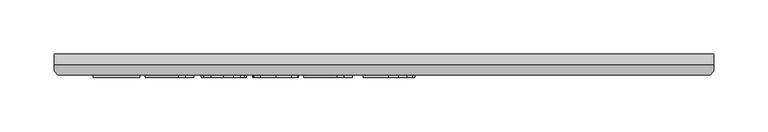
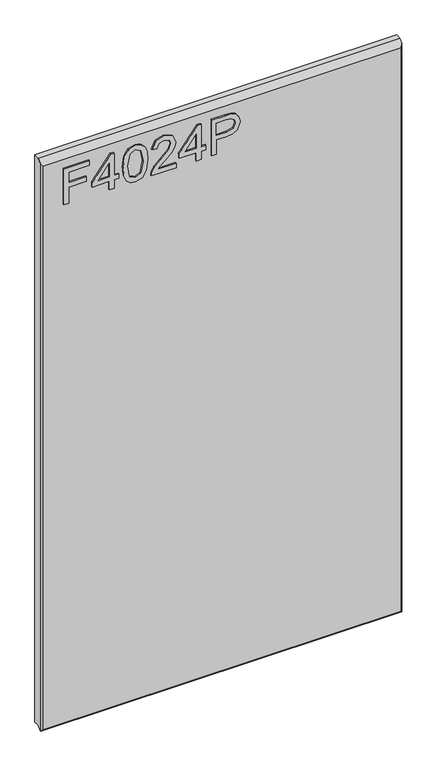
"""IFC4 building model written with IfcOpenShell, lengths in millimetres: furniture geometry."""

import ifcopenshell
import ifcopenshell.guid

model = None  # the IFC model being written
_history = None  # IfcOwnerHistory: only IFC2X3 demands one
_inside = {}  # id of a spatial element -> (the spatial element, [elements in it])
_under = {}  # id of a project, library or spatial element -> (it, [spatial elements below it])
_declared = {}  # id of a project -> (the project, [libraries it declares])
_typed = {}  # id of a type object -> (the type object, [elements of that type])
_made_of = {}  # id of a material, layer set ... -> (it, [elements and type objects made of it])


def new_model(schema):
    """Start an empty IFC model of exactly this schema.

    Asked for "IFC4X3", IfcOpenShell would pick the latest addendum, in which some entities
    have other attributes; the version numbers below select the first issue.
    IFC2X3 requires an IfcOwnerHistory on every rooted entity: one is made here for all.
    """
    global model, _history
    if schema == "IFC4X3":
        model = ifcopenshell.file(schema_version=(4, 3, 0, 0))
    else:
        model = ifcopenshell.file(schema=schema)
    _inside.clear()
    _under.clear()
    _declared.clear()
    _typed.clear()
    _made_of.clear()
    _history = None
    if model.schema == "IFC2X3":
        org = make("IfcOrganization", Name="unknown")
        user = make(
            "IfcPersonAndOrganization",
            ThePerson=make("IfcPerson", FamilyName="unknown"),
            TheOrganization=org,
        )
        app = make(
            "IfcApplication",
            ApplicationDeveloper=org,
            Version="unknown",
            ApplicationFullName="unknown",
            ApplicationIdentifier="unknown",
        )
        _history = make(
            "IfcOwnerHistory",
            OwningUser=user,
            OwningApplication=app,
            ChangeAction="ADDED",
            CreationDate=0,
        )
    return model


def make(cls, **values):
    """One entity of the class cls with the attributes given. An attribute that is None is left unset."""
    return model.create_entity(
        cls, **{name: value for name, value in values.items() if value is not None}
    )


def rooted(cls, **values):
    """An entity with a GlobalId (a new one), such as an element, a storey or a relation."""
    return make(cls, GlobalId=ifcopenshell.guid.new(), OwnerHistory=_history, **values)


def si_unit(unit_type, name, prefix=None):
    """IfcSIUnit, for example si_unit("LENGTHUNIT", "METRE", prefix="MILLI")."""
    return make("IfcSIUnit", UnitType=unit_type, Prefix=prefix, Name=name)


def assignment(units):
    """IfcUnitAssignment: the units of a project."""
    return None if units is None else make("IfcUnitAssignment", Units=units)


def point(xyz):
    """IfcCartesianPoint."""
    return None if xyz is None else make("IfcCartesianPoint", Coordinates=xyz)


def direction(xyz):
    """IfcDirection."""
    return None if xyz is None else make("IfcDirection", DirectionRatios=xyz)


def frame(location, z_axis=None, x_axis=None):
    """IfcAxis2Placement3D, a coordinate frame: its origin and axes. An axis left out is left unset."""
    return make(
        "IfcAxis2Placement3D",
        Location=point(location),
        Axis=direction(z_axis),
        RefDirection=direction(x_axis),
    )


def origin():
    """The frame at (0, 0, 0) with its axes left unset."""
    return frame((0.0, 0.0, 0.0))


def place(relative_to, where):
    """IfcLocalPlacement: puts the frame where relative to a parent placement (None: the world)."""
    return make(
        "IfcLocalPlacement", PlacementRelTo=relative_to, RelativePlacement=where
    )


def context(
    kind, dimensions, precision=None, world=None, true_north=None, identifier=None
):
    """IfcGeometricRepresentationContext, for example the 3D "Model" context."""
    return make(
        "IfcGeometricRepresentationContext",
        ContextIdentifier=identifier,
        ContextType=kind,
        CoordinateSpaceDimension=dimensions,
        Precision=precision,
        WorldCoordinateSystem=world,
        TrueNorth=true_north,
    )


def project(units=None, contexts=None):
    """IfcProject with its units and contexts."""
    return rooted(
        "IfcProject",
        Name="project",
        RepresentationContexts=contexts,
        UnitsInContext=assignment(units),
    )


def spatial(cls, under=None, at=None, **own):
    """A site, building, storey or space (cls), placed at a placement, below another one or the project."""
    s = rooted(cls, ObjectPlacement=at, **own)
    if under is not None:
        _under.setdefault(under.id(), (under, []))[1].append(s)
    return s


def polyline(points):
    """IfcPolyline through the points."""
    return make("IfcPolyline", Points=[point(p) for p in points])


def outline(outer, holes=None, kind="AREA"):
    """IfcArbitraryClosedProfileDef: a profile drawn as a closed curve; with holes, ...WithVoids."""
    if holes is None:
        return make("IfcArbitraryClosedProfileDef", ProfileType=kind, OuterCurve=outer)
    return make(
        "IfcArbitraryProfileDefWithVoids",
        ProfileType=kind,
        OuterCurve=outer,
        InnerCurves=holes,
    )


def extrude(swept, where, along, depth):
    """IfcExtrudedAreaSolid: the profile swept, set in the frame where, extruded along a direction by depth."""
    return make(
        "IfcExtrudedAreaSolid",
        SweptArea=swept,
        Position=where,
        ExtrudedDirection=direction(along),
        Depth=depth,
    )


def faces_of(points, faces, orient=None, outer=None):
    """IfcFace entities. A face is a list of loops; a loop is a list of indices into points, from 0.

    orient and outer hold one flag for each loop. By default every Orientation is true, the
    first loop of a face is its IfcFaceOuterBound and the others are IfcFaceBound.
    """
    made = []
    for i, loops in enumerate(faces):
        bounds = []
        for j, loop in enumerate(loops):
            is_outer = j == 0 if outer is None else outer[i][j]
            bounds.append(
                make(
                    "IfcFaceOuterBound" if is_outer else "IfcFaceBound",
                    Bound=make("IfcPolyLoop", Polygon=[points[k] for k in loop]),
                    Orientation=True if orient is None else orient[i][j],
                )
            )
        made.append(make("IfcFace", Bounds=bounds))
    return made


def faceted_brep(points, faces, orient=None, outer=None, voids=None):
    """IfcFacetedBrep: a solid bounded by flat faces; with voids (closed shells), ...WithVoids."""
    shared = [point(p) for p in points]
    hull = make("IfcClosedShell", CfsFaces=faces_of(shared, faces, orient, outer))
    if voids is None:
        return make("IfcFacetedBrep", Outer=hull)
    return make(
        "IfcFacetedBrepWithVoids",
        Outer=hull,
        Voids=[
            make(cls, CfsFaces=faces_of(shared, fs, o, b)) for cls, fs, o, b in voids
        ],
    )


def shape(context_of_items, identifier, shape_type, items):
    """IfcShapeRepresentation: the items that make up one representation, for example the "Body"."""
    return make(
        "IfcShapeRepresentation",
        ContextOfItems=context_of_items,
        RepresentationIdentifier=identifier,
        RepresentationType=shape_type,
        Items=items,
    )


def source(mapping_origin, context_of_items, identifier, shape_type, items):
    """IfcRepresentationMap: a shape defined once, which mapped items show again and again."""
    return make(
        "IfcRepresentationMap",
        MappingOrigin=mapping_origin,
        MappedRepresentation=shape(context_of_items, identifier, shape_type, items),
    )


def transform(
    local_origin,
    x_axis=None,
    y_axis=None,
    z_axis=None,
    scale=None,
    scale2=None,
    scale3=None,
    uniform=True,
):
    """IfcCartesianTransformationOperator3D, or its non-uniform kind. x_axis, y_axis, z_axis: its Axis1, 2, 3."""
    if uniform:
        return make(
            "IfcCartesianTransformationOperator3D",
            Axis1=direction(x_axis),
            Axis2=direction(y_axis),
            LocalOrigin=point(local_origin),
            Scale=scale,
            Axis3=direction(z_axis),
        )
    return make(
        "IfcCartesianTransformationOperator3DnonUniform",
        Axis1=direction(x_axis),
        Axis2=direction(y_axis),
        LocalOrigin=point(local_origin),
        Scale=scale,
        Axis3=direction(z_axis),
        Scale2=scale2,
        Scale3=scale3,
    )


def mapped(mapping_source, mapping_target):
    """IfcMappedItem: shows the shape of a source again, moved by a transform."""
    return make(
        "IfcMappedItem", MappingSource=mapping_source, MappingTarget=mapping_target
    )


def made_of(thing, what):
    """Note that an element or type object is made of a material, layer set ...; save() writes the relation."""
    if what is not None:
        _made_of.setdefault(what.id(), (what, []))[1].append(thing)
    return thing


def element(
    cls,
    number,
    at=None,
    inside=None,
    cuts=None,
    type_object=None,
    material=None,
    context=None,
    identifier="Body",
    shape_type=None,
    held_by="IfcProductDefinitionShape",
    body=None,
    shapes=None,
    **own,
):
    """One element of the class cls, such as IfcWall. Its Tag is "e" and its number.

    at: its placement. inside: the storey or other place that contains it. cuts: it is an
    opening in that element (IfcRelVoidsElement). A single representation is given by context,
    identifier, shape_type and body (its items); several are given by shapes. held_by: the class
    of the entity that holds the representations. save() writes the other relations.
    """
    e = rooted(cls, Tag="e%d" % number, ObjectPlacement=at, **own)
    if body is not None:
        shapes = [shape(context, identifier, shape_type, body)]
    if shapes is not None:
        e.Representation = make(held_by, Representations=shapes)
    if inside is not None:
        _inside.setdefault(inside.id(), (inside, []))[1].append(e)
    if cuts is not None:
        rooted(
            "IfcRelVoidsElement", RelatingBuildingElement=cuts, RelatedOpeningElement=e
        )
    if type_object is not None:
        _typed.setdefault(type_object.id(), (type_object, []))[1].append(e)
    return made_of(e, material)


def aggregate(whole, parts):
    """IfcRelAggregates: a whole, such as a stair, and the parts it consists of."""
    return rooted("IfcRelAggregates", RelatingObject=whole, RelatedObjects=parts)


def save(model, path):
    """Write the relations noted so far, then the file.

    IfcRelAggregates (storeys below a building ...), IfcRelContainedInSpatialStructure (elements
    in a storey), IfcRelDefinesByType, IfcRelAssociatesMaterial and IfcRelDeclares: one each for
    every whole, place, type object, material and project.
    """
    for whole, parts in _under.values():
        aggregate(whole, parts)
    for where, things in _inside.values():
        rooted(
            "IfcRelContainedInSpatialStructure",
            RelatedElements=things,
            RelatingStructure=where,
        )
    for kind, things in _typed.values():
        rooted("IfcRelDefinesByType", RelatedObjects=things, RelatingType=kind)
    for what, things in _made_of.values():
        rooted("IfcRelAssociatesMaterial", RelatedObjects=things, RelatingMaterial=what)
    for by, libraries in _declared.values():
        rooted("IfcRelDeclares", RelatingContext=by, RelatedDefinitions=libraries)
    model.write(path)


def furniture_3fd9cddb(model_context):
    return source(origin(), model_context, "Body", "SolidModel", [
        extrude(outline(polyline([(2030.5117188, -249.8436441), (2030.5117188, -241.8699245), (2059.4164524, -241.8699245), (2059.4164524, -211.9684759), (2067.390172, -211.9684759), (2067.390172, -241.8699245), (2086.3277561, -241.8699245), (2086.3277561, -206.9849011), (2094.3014757, -206.9849011), (2094.3014757, -249.8436441), (2030.5117188, -249.8436441)])), frame((0.0, -21.9273437, 0.0), z_axis=(0.0, 1.0, 0.0), x_axis=(0.0, 0.0, 1.0)), (0.0, 0.0, 1.0), 2.38125),
        extrude(outline(polyline([(2030.5117188, -173.0965927), (2030.5117188, -165.1228731), (2045.462443, -165.1228731), (2045.462443, -157.1491535), (2053.4361627, -157.1491535), (2053.4361627, -165.1228731), (2093.3047607, -165.1228731), (2093.3047607, -171.1031628), (2053.4361627, -202.0013264), (2045.462443, -202.0013264), (2045.462443, -173.0965927), (2030.5117188, -173.0965927)]), holes=[polyline([(2053.4361627, -173.0965927), (2053.4361627, -192.1899136), (2078.0737104, -173.0965927), (2053.4361627, -173.0965927)])]), frame((0.0, -21.9273438, 0.0), z_axis=(0.0, 1.0, 0.0), x_axis=(0.0, 0.0, 1.0)), (0.0, 0.0, 1.0), 2.38125),
        extrude(outline(polyline([(2061.8926661, -150.1721488), (2046.3773962, -148.5836344), (2035.5887355, -143.818091), (2031.0334367, -137.5263279), (2029.5150038, -129.2411348), (2033.011293, -117.5686683), (2043.616963, -110.6305978), (2061.8926661, -108.3101208), (2076.8823245, -109.7584723), (2086.3199692, -113.4961533), (2092.2457511, -119.9280795), (2094.3014757, -129.2411348), (2090.828547, -140.8668803), (2080.2462375, -147.8283113), (2061.8926661, -150.1721488)]), holes=[polyline([(2061.9082397, -142.1984292), (2082.0605702, -138.3361588), (2086.3277561, -129.3345769), (2081.4843444, -119.8969322), (2061.9082397, -116.2838405), (2042.1218906, -120.0215215), (2037.4887234, -129.2411348), (2042.1063169, -138.4607482), (2061.9082397, -142.1984292)])]), frame((0.0, -21.9273438, 0.0), z_axis=(0.0, 1.0, 0.0), x_axis=(0.0, 0.0, 1.0)), (0.0, 0.0, 1.0), 2.38125),
        extrude(outline(polyline([(2038.4854384, -60.4678031), (2038.4854384, -91.7864558), (2042.5423797, -88.1889378), (2050.2124127, -79.0160455), (2061.137343, -67.5927577), (2068.9553259, -62.8817222), (2076.5163433, -61.4645181), (2089.1933116, -66.7206321), (2094.3014757, -80.9939017), (2089.7072427, -95.2204503), (2076.3606066, -101.3331162), (2075.3638916, -93.3593966), (2083.4154796, -90.0032704), (2086.3277561, -81.1652121), (2083.3453981, -72.6853481), (2076.0335595, -69.4382377), (2067.0008302, -72.880019), (2053.7164887, -86.6471443), (2044.4735149, -96.6298675), (2036.0092247, -101.4732792), (2030.5117188, -102.3298311), (2030.5117188, -60.4678031), (2038.4854384, -60.4678031)])), frame((0.0, -21.9273437, 0.0), z_axis=(0.0, 1.0, 0.0), x_axis=(0.0, 0.0, 1.0)), (0.0, 0.0, 1.0), 2.38125),
        extrude(outline(polyline([(2030.5117188, -26.5794948), (2030.5117188, -18.6057751), (2045.462443, -18.6057751), (2045.462443, -10.6320555), (2053.4361627, -10.6320555), (2053.4361627, -18.6057751), (2093.3047607, -18.6057751), (2093.3047607, -24.5860649), (2053.4361627, -55.4842284), (2045.462443, -55.4842284), (2045.462443, -26.5794948), (2030.5117188, -26.5794948)]), holes=[polyline([(2053.4361627, -26.5794948), (2053.4361627, -45.6728156), (2078.0737104, -26.5794948), (2053.4361627, -26.5794948)])]), frame((0.0, -21.9273438, 0.0), z_axis=(0.0, 1.0, 0.0), x_axis=(0.0, 0.0, 1.0)), (0.0, 0.0, 1.0), 2.38125),
        extrude(outline(polyline([(2030.5117188, -0.664906), (2030.5117188, 7.3088136), (2056.4263075, 7.3088136), (2056.4263075, 23.5210053), (2057.8357247, 34.8489043), (2062.0639765, 42.0458871), (2075.8466754, 47.1774117), (2084.5445707, 45.2774238), (2090.7117445, 40.2549149), (2093.6941025, 32.5070135), (2094.3014757, 22.9759268), (2094.3014757, -0.664906), (2030.5117188, -0.664906)]), holes=[polyline([(2064.4000271, 7.3088136), (2086.3277561, 7.3088136), (2086.3277561, 23.8013313), (2085.7826776, 31.775051), (2082.1695859, 37.1557543), (2075.5663493, 39.2036921), (2067.3278773, 35.7307634), (2064.4000271, 23.9882154), (2064.4000271, 7.3088136)])]), frame((0.0, -21.9273438, 0.0), z_axis=(0.0, 1.0, 0.0), x_axis=(0.0, 0.0, 1.0)), (0.0, 0.0, 1.0), 2.38125),
        faceted_brep([(323.5377049, 0.0, 2119.4117187), (-286.0622951, 0.0, 2119.4117187), (-286.0622951, -10.0314449, 2119.4117187), (323.5377049, -10.0314449, 2119.4117187), (-286.0622951, 0.0, 1108.2647062), (323.5377049, 0.0, 1108.2647062), (323.5377049, -10.0314449, 1108.2647062), (-286.0622951, -10.0314449, 1108.2647062), (-286.0622951, -15.7726273, 1102.5235239), (-286.0622951, -15.7726273, 2113.6705364), (-282.8959807, -19.5460937, 1105.0897062), (320.3713906, -19.5460937, 1105.0897062), (320.3713906, -19.5460937, 2109.8970699), (-282.8959807, -19.5460937, 2109.8970699), (323.5377049, -15.7726273, 2113.6705364), (323.5377049, -15.7726273, 1102.5235239), (-285.5514364, -16.3814449, 1101.9147062), (323.0268462, -16.3814449, 1101.9147062)], [[[0, 1, 2, 3]], [[4, 5, 6, 7]], [[1, 4, 7, 8, 9, 2]], [[10, 11, 12, 13]], [[5, 0, 3, 14, 15, 6]], [[1, 0, 5, 4]], [[11, 10, 16, 17]], [[7, 6, 15, 17, 16, 8]], [[3, 2, 9, 13, 12, 14]], [[9, 8, 16, 10, 13]], [[12, 11, 17, 15, 14]]]),
    ])


if __name__ == "__main__":
    model = new_model("IFC4")
    model_context = context("Model", 3, world=origin())
    ifc_project = project(units=[si_unit("LENGTHUNIT", "METRE", prefix="MILLI")], contexts=[model_context])
    site = spatial("IfcSite", under=ifc_project)
    building = spatial("IfcBuilding", under=site)
    placement = place(None, origin())
    furniture_shape = furniture_3fd9cddb(model_context)
    element("IfcFurniture", 1, at=placement, inside=building, context=model_context, shape_type="MappedRepresentation", body=[
        mapped(furniture_shape, transform((0.0, 0.0, 0.0), x_axis=(1.0, 0.0, 0.0), y_axis=(0.0, 1.0, 0.0), z_axis=(0.0, 0.0, 1.0))),
    ])
    save(model, "model.ifc")
